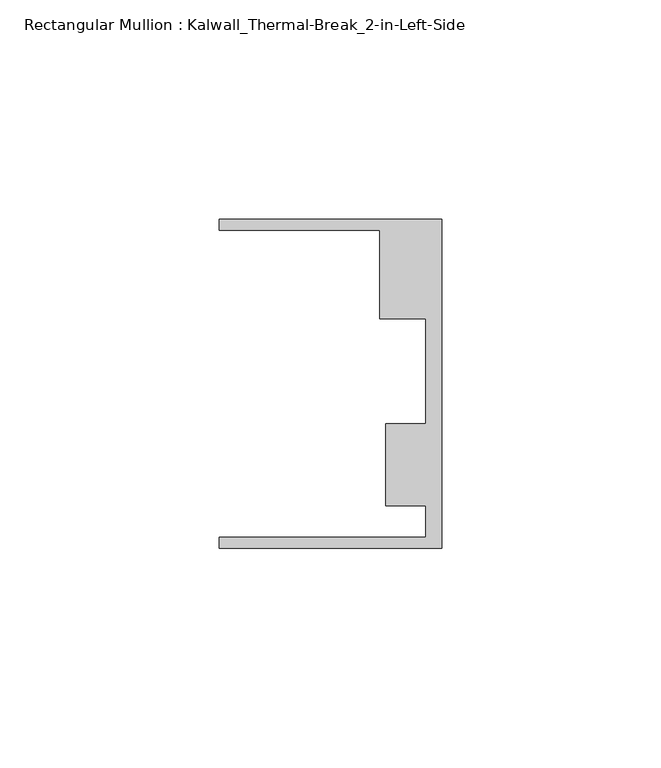
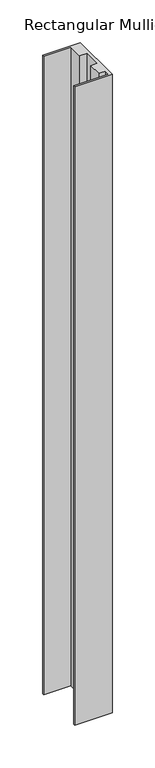
"""IFC4 building model written with IfcOpenShell, lengths in millimetres: member geometry, Rectangular Mullion : Kalwall_Thermal-Break_2-in-Left-Side."""

from ifc_helpers import new_model, si_unit, frame, origin, place, context, project, spatial, polyline, outline, extrude, source, transform, mapped, element, save


def rectangular_mullion_kalwall_thermal_break_2_in_left_side_a0f9202b(model_context):
    return source(origin(), model_context, "Body", "SweptSolid", [
        extrude(outline(polyline([(0.0, -37.5776386), (-50.8, -37.5776386), (-50.8, -35.0376386), (-3.7084, -35.0376386), (-3.7084, -27.8888568), (-12.8272539, -27.8888568), (-12.8272539, -9.1879886), (-3.7084, -9.1879886), (-3.7084, 14.7439614), (-14.1732, 14.7439614), (-14.1732, 34.9623614), (-50.8, 34.9623614), (-50.8, 37.5023614), (0.0, 37.5023614), (0.0, -37.5776386)])), frame((0.0, 0.0, -914.4), z_axis=(0.0, 0.0, 1.0), x_axis=(1.0, 0.0, 0.0)), (0.0, 0.0, 1.0), 914.4),
    ])


if __name__ == "__main__":
    model = new_model("IFC4")
    model_context = context("Model", 3, world=origin())
    ifc_project = project(units=[si_unit("LENGTHUNIT", "METRE", prefix="MILLI")], contexts=[model_context])
    site = spatial("IfcSite", under=ifc_project)
    building = spatial("IfcBuilding", under=site)
    placement = place(None, origin())
    rectangular_mullion_kalwall_thermal_break_2_in_left_side_shape = rectangular_mullion_kalwall_thermal_break_2_in_left_side_a0f9202b(model_context)
    element("IfcMember", 1, ObjectType="Rectangular Mullion : Kalwall_Thermal-Break_2-in-Left-Side", at=placement, inside=building, context=model_context, shape_type="MappedRepresentation", body=[
        mapped(rectangular_mullion_kalwall_thermal_break_2_in_left_side_shape, transform((0.0, 0.0, 0.0), x_axis=(1.0, 0.0, 0.0), y_axis=(0.0, 1.0, 0.0), z_axis=(0.0, 0.0, 1.0))),
    ])
    save(model, "model.ifc")
